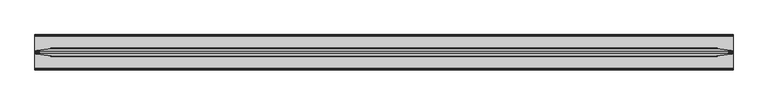
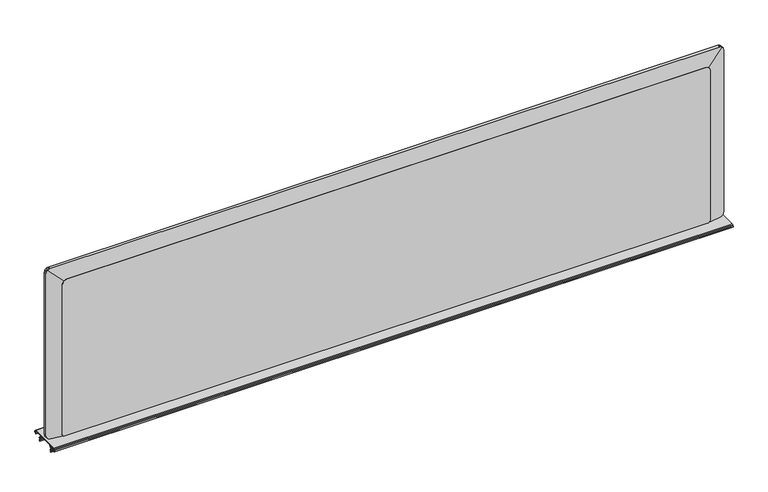
"""IFC4 building model written with IfcOpenShell, lengths in millimetres: furniture geometry."""

import ifcopenshell
import ifcopenshell.guid

model = None  # the IFC model being written
_history = None  # IfcOwnerHistory: only IFC2X3 demands one
_inside = {}  # id of a spatial element -> (the spatial element, [elements in it])
_under = {}  # id of a project, library or spatial element -> (it, [spatial elements below it])
_declared = {}  # id of a project -> (the project, [libraries it declares])
_typed = {}  # id of a type object -> (the type object, [elements of that type])
_made_of = {}  # id of a material, layer set ... -> (it, [elements and type objects made of it])


def new_model(schema):
    """Start an empty IFC model of exactly this schema.

    Asked for "IFC4X3", IfcOpenShell would pick the latest addendum, in which some entities
    have other attributes; the version numbers below select the first issue.
    IFC2X3 requires an IfcOwnerHistory on every rooted entity: one is made here for all.
    """
    global model, _history
    if schema == "IFC4X3":
        model = ifcopenshell.file(schema_version=(4, 3, 0, 0))
    else:
        model = ifcopenshell.file(schema=schema)
    _inside.clear()
    _under.clear()
    _declared.clear()
    _typed.clear()
    _made_of.clear()
    _history = None
    if model.schema == "IFC2X3":
        org = make("IfcOrganization", Name="unknown")
        user = make(
            "IfcPersonAndOrganization",
            ThePerson=make("IfcPerson", FamilyName="unknown"),
            TheOrganization=org,
        )
        app = make(
            "IfcApplication",
            ApplicationDeveloper=org,
            Version="unknown",
            ApplicationFullName="unknown",
            ApplicationIdentifier="unknown",
        )
        _history = make(
            "IfcOwnerHistory",
            OwningUser=user,
            OwningApplication=app,
            ChangeAction="ADDED",
            CreationDate=0,
        )
    return model


def make(cls, **values):
    """One entity of the class cls with the attributes given. An attribute that is None is left unset."""
    return model.create_entity(
        cls, **{name: value for name, value in values.items() if value is not None}
    )


def rooted(cls, **values):
    """An entity with a GlobalId (a new one), such as an element, a storey or a relation."""
    return make(cls, GlobalId=ifcopenshell.guid.new(), OwnerHistory=_history, **values)


def si_unit(unit_type, name, prefix=None):
    """IfcSIUnit, for example si_unit("LENGTHUNIT", "METRE", prefix="MILLI")."""
    return make("IfcSIUnit", UnitType=unit_type, Prefix=prefix, Name=name)


def assignment(units):
    """IfcUnitAssignment: the units of a project."""
    return None if units is None else make("IfcUnitAssignment", Units=units)


def point(xyz):
    """IfcCartesianPoint."""
    return None if xyz is None else make("IfcCartesianPoint", Coordinates=xyz)


def direction(xyz):
    """IfcDirection."""
    return None if xyz is None else make("IfcDirection", DirectionRatios=xyz)


def frame(location, z_axis=None, x_axis=None):
    """IfcAxis2Placement3D, a coordinate frame: its origin and axes. An axis left out is left unset."""
    return make(
        "IfcAxis2Placement3D",
        Location=point(location),
        Axis=direction(z_axis),
        RefDirection=direction(x_axis),
    )


def frame_2d(location, x_axis=None):
    """IfcAxis2Placement2D, a coordinate frame in the plane: its origin and x axis."""
    return make(
        "IfcAxis2Placement2D", Location=point(location), RefDirection=direction(x_axis)
    )


def origin():
    """The frame at (0, 0, 0) with its axes left unset."""
    return frame((0.0, 0.0, 0.0))


def place(relative_to, where):
    """IfcLocalPlacement: puts the frame where relative to a parent placement (None: the world)."""
    return make(
        "IfcLocalPlacement", PlacementRelTo=relative_to, RelativePlacement=where
    )


def context(
    kind, dimensions, precision=None, world=None, true_north=None, identifier=None
):
    """IfcGeometricRepresentationContext, for example the 3D "Model" context."""
    return make(
        "IfcGeometricRepresentationContext",
        ContextIdentifier=identifier,
        ContextType=kind,
        CoordinateSpaceDimension=dimensions,
        Precision=precision,
        WorldCoordinateSystem=world,
        TrueNorth=true_north,
    )


def project(units=None, contexts=None):
    """IfcProject with its units and contexts."""
    return rooted(
        "IfcProject",
        Name="project",
        RepresentationContexts=contexts,
        UnitsInContext=assignment(units),
    )


def spatial(cls, under=None, at=None, **own):
    """A site, building, storey or space (cls), placed at a placement, below another one or the project."""
    s = rooted(cls, ObjectPlacement=at, **own)
    if under is not None:
        _under.setdefault(under.id(), (under, []))[1].append(s)
    return s


def polyline(points):
    """IfcPolyline through the points."""
    return make("IfcPolyline", Points=[point(p) for p in points])


def circle_curve(where, radius):
    """IfcCircle in the frame where."""
    return make("IfcCircle", Position=where, Radius=radius)


def trimmed(basis, trim1, trim2, sense, master):
    """IfcTrimmedCurve: the piece of a basis curve between two trims."""
    return make(
        "IfcTrimmedCurve",
        BasisCurve=basis,
        Trim1=trim1,
        Trim2=trim2,
        SenseAgreement=sense,
        MasterRepresentation=master,
    )


def segment(curve, same_sense, transition):
    """IfcCompositeCurveSegment."""
    return make(
        "IfcCompositeCurveSegment",
        Transition=transition,
        SameSense=same_sense,
        ParentCurve=curve,
    )


def composite_curve(segments, self_intersect=None):
    """IfcCompositeCurve: segments joined end to end."""
    return make("IfcCompositeCurve", Segments=segments, SelfIntersect=self_intersect)


def outline(outer, holes=None, kind="AREA"):
    """IfcArbitraryClosedProfileDef: a profile drawn as a closed curve; with holes, ...WithVoids."""
    if holes is None:
        return make("IfcArbitraryClosedProfileDef", ProfileType=kind, OuterCurve=outer)
    return make(
        "IfcArbitraryProfileDefWithVoids",
        ProfileType=kind,
        OuterCurve=outer,
        InnerCurves=holes,
    )


def extrude(swept, where, along, depth):
    """IfcExtrudedAreaSolid: the profile swept, set in the frame where, extruded along a direction by depth."""
    return make(
        "IfcExtrudedAreaSolid",
        SweptArea=swept,
        Position=where,
        ExtrudedDirection=direction(along),
        Depth=depth,
    )


def faces_of(points, faces, orient=None, outer=None):
    """IfcFace entities. A face is a list of loops; a loop is a list of indices into points, from 0.

    orient and outer hold one flag for each loop. By default every Orientation is true, the
    first loop of a face is its IfcFaceOuterBound and the others are IfcFaceBound.
    """
    made = []
    for i, loops in enumerate(faces):
        bounds = []
        for j, loop in enumerate(loops):
            is_outer = j == 0 if outer is None else outer[i][j]
            bounds.append(
                make(
                    "IfcFaceOuterBound" if is_outer else "IfcFaceBound",
                    Bound=make("IfcPolyLoop", Polygon=[points[k] for k in loop]),
                    Orientation=True if orient is None else orient[i][j],
                )
            )
        made.append(make("IfcFace", Bounds=bounds))
    return made


def faceted_brep(points, faces, orient=None, outer=None, voids=None):
    """IfcFacetedBrep: a solid bounded by flat faces; with voids (closed shells), ...WithVoids."""
    shared = [point(p) for p in points]
    hull = make("IfcClosedShell", CfsFaces=faces_of(shared, faces, orient, outer))
    if voids is None:
        return make("IfcFacetedBrep", Outer=hull)
    return make(
        "IfcFacetedBrepWithVoids",
        Outer=hull,
        Voids=[
            make(cls, CfsFaces=faces_of(shared, fs, o, b)) for cls, fs, o, b in voids
        ],
    )


def shape(context_of_items, identifier, shape_type, items):
    """IfcShapeRepresentation: the items that make up one representation, for example the "Body"."""
    return make(
        "IfcShapeRepresentation",
        ContextOfItems=context_of_items,
        RepresentationIdentifier=identifier,
        RepresentationType=shape_type,
        Items=items,
    )


def source(mapping_origin, context_of_items, identifier, shape_type, items):
    """IfcRepresentationMap: a shape defined once, which mapped items show again and again."""
    return make(
        "IfcRepresentationMap",
        MappingOrigin=mapping_origin,
        MappedRepresentation=shape(context_of_items, identifier, shape_type, items),
    )


def transform(
    local_origin,
    x_axis=None,
    y_axis=None,
    z_axis=None,
    scale=None,
    scale2=None,
    scale3=None,
    uniform=True,
):
    """IfcCartesianTransformationOperator3D, or its non-uniform kind. x_axis, y_axis, z_axis: its Axis1, 2, 3."""
    if uniform:
        return make(
            "IfcCartesianTransformationOperator3D",
            Axis1=direction(x_axis),
            Axis2=direction(y_axis),
            LocalOrigin=point(local_origin),
            Scale=scale,
            Axis3=direction(z_axis),
        )
    return make(
        "IfcCartesianTransformationOperator3DnonUniform",
        Axis1=direction(x_axis),
        Axis2=direction(y_axis),
        LocalOrigin=point(local_origin),
        Scale=scale,
        Axis3=direction(z_axis),
        Scale2=scale2,
        Scale3=scale3,
    )


def mapped(mapping_source, mapping_target):
    """IfcMappedItem: shows the shape of a source again, moved by a transform."""
    return make(
        "IfcMappedItem", MappingSource=mapping_source, MappingTarget=mapping_target
    )


def made_of(thing, what):
    """Note that an element or type object is made of a material, layer set ...; save() writes the relation."""
    if what is not None:
        _made_of.setdefault(what.id(), (what, []))[1].append(thing)
    return thing


def element(
    cls,
    number,
    at=None,
    inside=None,
    cuts=None,
    type_object=None,
    material=None,
    context=None,
    identifier="Body",
    shape_type=None,
    held_by="IfcProductDefinitionShape",
    body=None,
    shapes=None,
    **own,
):
    """One element of the class cls, such as IfcWall. Its Tag is "e" and its number.

    at: its placement. inside: the storey or other place that contains it. cuts: it is an
    opening in that element (IfcRelVoidsElement). A single representation is given by context,
    identifier, shape_type and body (its items); several are given by shapes. held_by: the class
    of the entity that holds the representations. save() writes the other relations.
    """
    e = rooted(cls, Tag="e%d" % number, ObjectPlacement=at, **own)
    if body is not None:
        shapes = [shape(context, identifier, shape_type, body)]
    if shapes is not None:
        e.Representation = make(held_by, Representations=shapes)
    if inside is not None:
        _inside.setdefault(inside.id(), (inside, []))[1].append(e)
    if cuts is not None:
        rooted(
            "IfcRelVoidsElement", RelatingBuildingElement=cuts, RelatedOpeningElement=e
        )
    if type_object is not None:
        _typed.setdefault(type_object.id(), (type_object, []))[1].append(e)
    return made_of(e, material)


def aggregate(whole, parts):
    """IfcRelAggregates: a whole, such as a stair, and the parts it consists of."""
    return rooted("IfcRelAggregates", RelatingObject=whole, RelatedObjects=parts)


def save(model, path):
    """Write the relations noted so far, then the file.

    IfcRelAggregates (storeys below a building ...), IfcRelContainedInSpatialStructure (elements
    in a storey), IfcRelDefinesByType, IfcRelAssociatesMaterial and IfcRelDeclares: one each for
    every whole, place, type object, material and project.
    """
    for whole, parts in _under.values():
        aggregate(whole, parts)
    for where, things in _inside.values():
        rooted(
            "IfcRelContainedInSpatialStructure",
            RelatedElements=things,
            RelatingStructure=where,
        )
    for kind, things in _typed.values():
        rooted("IfcRelDefinesByType", RelatedObjects=things, RelatingType=kind)
    for what, things in _made_of.values():
        rooted("IfcRelAssociatesMaterial", RelatedObjects=things, RelatingMaterial=what)
    for by, libraries in _declared.values():
        rooted("IfcRelDeclares", RelatingContext=by, RelatedDefinitions=libraries)
    model.write(path)


def furniture_444924c2(model_context):
    return source(origin(), model_context, "Body", "SolidModel", [
        extrude(outline(composite_curve([segment(trimmed(circle_curve(frame_2d((-75.1928863, 719.4457415)), 2.430138), [point((-76.6170666, 717.4766602))], [point((-77.2846954, 720.682635))], False, "CARTESIAN"), True, "CONTINUOUS"), segment(polyline([(-77.2846954, 720.682635), (-76.0762752, 722.7262905)]), True, "CONTINUOUS"), segment(trimmed(circle_curve(frame_2d((-74.0187119, 721.5096466)), 2.3903534), [point((-76.0762752, 722.7262905))], [point((-74.0187119, 723.9))], False, "CARTESIAN"), True, "CONTINUOUS"), segment(polyline([(-74.0187119, 723.9), (-4.2648863, 723.9)]), True, "CONTINUOUS"), segment(trimmed(circle_curve(frame_2d((-4.2648863, 721.5096466)), 2.3903534), [point((-4.2648863, 723.9))], [point((-2.207323, 722.7262905))], False, "CARTESIAN"), True, "CONTINUOUS"), segment(polyline([(-2.207323, 722.7262905), (-0.9989028, 720.682635)]), True, "CONTINUOUS"), segment(trimmed(circle_curve(frame_2d((-3.0907119, 719.4457415)), 2.430138), [point((-0.9989028, 720.682635))], [point((-1.6665316, 717.4766602))], False, "CARTESIAN"), True, "CONTINUOUS"), segment(polyline([(-1.6665316, 717.4766602), (-4.4860224, 715.4374031), (-4.9474775, 716.075414), (-2.1279867, 718.1146711)]), True, "CONTINUOUS"), segment(trimmed(circle_curve(frame_2d((-3.0907119, 719.4457415)), 1.642738), [point((-2.1279867, 718.1146711))], [point((-1.6766793, 720.2818636))], True, "CARTESIAN"), True, "CONTINUOUS"), segment(polyline([(-1.6766793, 720.2818636), (-2.8850995, 722.3255191)]), True, "CONTINUOUS"), segment(trimmed(circle_curve(frame_2d((-4.2648863, 721.5096466)), 1.6029534), [point((-2.8850995, 722.3255191))], [point((-4.2648863, 723.1126))], True, "CARTESIAN"), True, "CONTINUOUS"), segment(polyline([(-4.2648863, 723.1126), (-74.0187119, 723.1126)]), True, "CONTINUOUS"), segment(trimmed(circle_curve(frame_2d((-74.0187119, 721.5096466)), 1.6029534), [point((-74.0187119, 723.1126))], [point((-75.3984987, 722.3255191))], True, "CARTESIAN"), True, "CONTINUOUS"), segment(polyline([(-75.3984987, 722.3255191), (-76.6069189, 720.2818636)]), True, "CONTINUOUS"), segment(trimmed(circle_curve(frame_2d((-75.1928863, 719.4457415)), 1.642738), [point((-76.6069189, 720.2818636))], [point((-76.1556115, 718.1146711))], True, "CARTESIAN"), True, "CONTINUOUS"), segment(polyline([(-76.1556115, 718.1146711), (-73.3361207, 716.075414), (-73.7975758, 715.4374031), (-76.6170666, 717.4766602)]), True, "CONTINUOUS")], self_intersect=False)), frame((0.9128077, 0.0, 0.0), z_axis=(1.0, 0.0, 0.0), x_axis=(0.0, 1.0, 0.0)), (0.0, 0.0, 1.0), 1522.1743847),
        extrude(outline(composite_curve([segment(polyline([(-56.0461627, 723.1126), (-55.1072956, 723.1126), (-60.3912441, 714.9760387)]), True, "CONTINUOUS"), segment(trimmed(circle_curve(frame_2d((-59.5056044, 714.4008971)), 1.0560045), [point((-60.3912441, 714.9760387))], [point((-60.3859585, 713.8176971))], True, "CARTESIAN"), True, "CONTINUOUS"), segment(polyline([(-60.3859585, 713.8176971), (-59.3045938, 712.1853517)]), True, "CONTINUOUS"), segment(trimmed(circle_curve(frame_2d((-60.7484403, 711.2288601)), 1.7319264), [point((-59.3045938, 712.1853517))], [point((-59.5749626, 709.9550787))], False, "CARTESIAN"), True, "CONTINUOUS"), segment(polyline([(-59.5749626, 709.9550787), (-60.3183145, 709.2702619)]), True, "CONTINUOUS"), segment(trimmed(circle_curve(frame_2d((-59.7283038, 708.6298197)), 0.8707921), [point((-60.3183145, 709.2702619))], [point((-60.5065655, 708.239195))], True, "CARTESIAN"), True, "CONTINUOUS"), segment(polyline([(-60.5065655, 708.239195), (-59.6251222, 706.4830501), (-60.328853, 706.1298339), (-61.2102963, 707.8859788)]), True, "CONTINUOUS"), segment(trimmed(circle_curve(frame_2d((-59.7283038, 708.6298197)), 1.6581921), [point((-61.2102963, 707.8859788))], [point((-60.8518224, 709.8493717))], False, "CARTESIAN"), True, "CONTINUOUS"), segment(polyline([(-60.8518224, 709.8493717), (-60.1084705, 710.5341884)]), True, "CONTINUOUS"), segment(trimmed(circle_curve(frame_2d((-60.7484403, 711.2288601)), 0.9445264), [point((-60.1084705, 710.5341884))], [point((-59.9610216, 711.750494))], True, "CARTESIAN"), True, "CONTINUOUS"), segment(polyline([(-59.9610216, 711.750494), (-61.0423863, 713.3828394)]), True, "CONTINUOUS"), segment(trimmed(circle_curve(frame_2d((-59.5056044, 714.4008971)), 1.8434045), [point((-61.0423863, 713.3828394))], [point((-61.0516132, 715.4048877))], False, "CARTESIAN"), True, "CONTINUOUS"), segment(polyline([(-61.0516132, 715.4048877), (-56.0461627, 723.1126)]), True, "CONTINUOUS")], self_intersect=False)), frame((1.6764, 0.0, 0.0), z_axis=(1.0, 0.0, 0.0), x_axis=(0.0, 1.0, 0.0)), (0.0, 0.0, 1.0), 1520.6472),
        extrude(outline(composite_curve([segment(polyline([(-22.2374355, 723.1126), (-17.231985, 715.4048877)]), True, "CONTINUOUS"), segment(trimmed(circle_curve(frame_2d((-18.7779938, 714.4008971)), 1.8434045), [point((-17.231985, 715.4048877))], [point((-17.2412119, 713.3828394))], False, "CARTESIAN"), True, "CONTINUOUS"), segment(polyline([(-17.2412119, 713.3828394), (-18.3225766, 711.750494)]), True, "CONTINUOUS"), segment(trimmed(circle_curve(frame_2d((-17.5351579, 711.2288601)), 0.9445264), [point((-18.3225766, 711.750494))], [point((-18.1751277, 710.5341884))], True, "CARTESIAN"), True, "CONTINUOUS"), segment(polyline([(-18.1751277, 710.5341884), (-17.4317758, 709.8493717)]), True, "CONTINUOUS"), segment(trimmed(circle_curve(frame_2d((-18.5552944, 708.6298197)), 1.6581921), [point((-17.4317758, 709.8493717))], [point((-17.0733019, 707.8859788))], False, "CARTESIAN"), True, "CONTINUOUS"), segment(polyline([(-17.0733019, 707.8859788), (-17.9547452, 706.1298339), (-18.658476, 706.4830501), (-17.7770327, 708.239195)]), True, "CONTINUOUS"), segment(trimmed(circle_curve(frame_2d((-18.5552944, 708.6298197)), 0.8707921), [point((-17.7770327, 708.239195))], [point((-17.9652837, 709.2702619))], True, "CARTESIAN"), True, "CONTINUOUS"), segment(polyline([(-17.9652837, 709.2702619), (-18.7086356, 709.9550787)]), True, "CONTINUOUS"), segment(trimmed(circle_curve(frame_2d((-17.5351579, 711.2288601)), 1.7319264), [point((-18.7086356, 709.9550787))], [point((-18.9790044, 712.1853517))], False, "CARTESIAN"), True, "CONTINUOUS"), segment(polyline([(-18.9790044, 712.1853517), (-17.8976397, 713.8176971)]), True, "CONTINUOUS"), segment(trimmed(circle_curve(frame_2d((-18.7779938, 714.4008971)), 1.0560045), [point((-17.8976397, 713.8176971))], [point((-17.8923541, 714.9760387))], True, "CARTESIAN"), True, "CONTINUOUS"), segment(polyline([(-17.8923541, 714.9760387), (-23.1763025, 723.1126), (-22.2374355, 723.1126)]), True, "CONTINUOUS")], self_intersect=False)), frame((1.6764, 0.0, 0.0), z_axis=(1.0, 0.0, 0.0), x_axis=(0.0, 1.0, 0.0)), (0.0, 0.0, 1.0), 1520.6472),
        faceted_brep([(1485.9706046, -31.0258914, 723.9), (1485.9706046, -31.0258914, 1091.7378273), (1519.410999, -35.7256324, 1125.1782217), (1520.8505813, -35.9279525, 1123.3244416), (1521.8654782, -36.0705869, 1120.9987115), (1522.329602, -36.1358153, 1118.3847867), (1522.329602, -36.1358153, 733.6122143), (1521.8654782, -36.0705869, 730.9982895), (1520.8505813, -35.9279525, 728.6725594), (1519.3657155, -35.7192682, 726.7604668), (1517.77837, -35.4961813, 725.479295), (1515.3892336, -35.1604101, 724.39128), (1512.7816683, -34.7939407, 723.9), (1485.9706046, -47.5358914, 1091.7378273), (1485.9706046, -47.5358914, 723.9), (1512.7816683, -43.5773568, 723.9), (1515.3892336, -43.1923614, 724.39128), (1517.77837, -42.839616, 725.479295), (1519.3657155, -42.6052515, 726.7604668), (1520.8505813, -42.3860176, 728.6725594), (1521.8654782, -42.2361726, 730.9982895), (1522.329602, -42.1676468, 733.6122143), (1522.329602, -42.1676468, 1118.3847867), (1521.8654782, -42.2361726, 1120.9987115), (1520.8505813, -42.3860176, 1123.3244416), (1519.410999, -42.5985656, 1125.1782217), (38.0293954, -31.0258914, 1091.7378273), (38.0293954, -31.0258914, 723.9193375), (11.2802637, -34.7852367, 723.9193375), (8.6107664, -35.1604101, 724.4222859), (6.22163, -35.4961813, 725.5103009), (4.6342845, -35.7192682, 726.7914727), (3.1494187, -35.9279525, 728.7035652), (2.1345218, -36.0705869, 731.0292954), (1.670398, -36.1358153, 733.6432202), (1.670398, -36.1358153, 1118.3847867), (2.1345218, -36.0705869, 1120.9987115), (3.1494187, -35.9279525, 1123.3244416), (4.589001, -35.7256324, 1125.1782217), (38.0293954, -47.5358914, 723.9193375), (38.0293954, -47.5358914, 1091.7378273), (4.589001, -42.5985656, 1125.1782217), (3.1494187, -42.3860176, 1123.3244416), (2.1345218, -42.2361726, 1120.9987115), (1.670398, -42.1676468, 1118.3847867), (1.670398, -42.1676468, 733.6432202), (2.1345218, -42.2361726, 731.0292954), (3.1494187, -42.3860176, 728.7035652), (4.6342845, -42.6052515, 726.7914727), (6.22163, -42.839616, 725.5103009), (8.6107664, -43.1923614, 724.4222859), (11.2802637, -43.5865008, 723.9193375), (6.22163, -35.9138846, 1126.517706), (8.6107664, -36.0667951, 1127.605721), (11.2173961, -36.1358153, 1128.0968247), (1512.7826039, -36.1358153, 1128.0968247), (1515.3892336, -36.0667951, 1127.605721), (1517.77837, -35.9138846, 1126.517706), (1517.77837, -42.4007967, 1126.517706), (1515.3892336, -42.2401561, 1127.605721), (1512.7826039, -42.1676468, 1128.0968247), (11.2173961, -42.1676468, 1128.0968247), (8.6107664, -42.2401561, 1127.605721), (6.22163, -42.4007967, 1126.517706)], [[[0, 1, 2, 3, 4, 5, 6, 7, 8, 9, 10, 11, 12]], [[13, 14, 15, 16, 17, 18, 19, 20, 21, 22, 23, 24, 25]], [[26, 27, 28, 29, 30, 31, 32, 33, 34, 35, 36, 37, 38]], [[39, 40, 41, 42, 43, 44, 45, 46, 47, 48, 49, 50, 51]], [[1, 26, 38, 52, 53, 54, 55, 56, 57, 2]], [[40, 13, 25, 58, 59, 60, 61, 62, 63, 41]], [[1, 0, 14, 13]], [[39, 27, 26, 40]], [[26, 1, 13, 40]], [[33, 46, 45, 34]], [[46, 33, 32, 47]], [[47, 32, 31, 48]], [[48, 31, 30, 49]], [[49, 30, 29, 50]], [[50, 29, 28, 51]], [[27, 39, 51, 28]], [[14, 0, 12, 15]], [[34, 45, 44, 35]], [[54, 61, 60, 55]], [[21, 6, 5, 22]], [[20, 7, 6, 21]], [[7, 20, 19, 8]], [[8, 19, 18, 9]], [[9, 18, 17, 10]], [[10, 17, 16, 11]], [[11, 16, 15, 12]], [[43, 36, 35, 44]], [[36, 43, 42, 37]], [[41, 38, 37, 42]], [[38, 41, 63, 52]], [[52, 63, 62, 53]], [[53, 62, 61, 54]], [[4, 23, 22, 5]], [[23, 4, 3, 24]], [[2, 25, 24, 3]], [[25, 2, 57, 58]], [[58, 57, 56, 59]], [[59, 56, 55, 60]]]),
        extrude(outline(composite_curve([segment(polyline([(1094.4625743, 1478.5013514), (1094.4625743, 45.4986486), (1093.7765293, 41.8573286), (1092.6884416, 39.4681922), (1091.4072698, 37.8808467), (1089.4951772, 36.3959812), (1087.1695198, 35.3810842), (1084.5123236, 34.9949365), (728.6754514, 34.9949365)]), True, "CONTINUOUS"), segment(trimmed(circle_curve(frame_2d((728.6754514, 39.7510504)), 4.7561139), [point((728.6754514, 34.9949365))], [point((723.9193375, 39.7510504))], False, "CARTESIAN"), True, "CONTINUOUS"), segment(polyline([(723.9193375, 39.7510504), (723.9193375, 1481.21858)]), True, "CONTINUOUS"), segment(trimmed(circle_curve(frame_2d((731.705821, 1481.21858)), 7.7864835), [point((723.9193375, 1481.21858))], [point((731.705821, 1489.0050635))], False, "CARTESIAN"), True, "CONTINUOUS"), segment(polyline([(731.705821, 1489.0050635), (1084.5123236, 1489.0050635), (1087.1695198, 1488.6189158), (1089.4951772, 1487.6040188), (1091.4072698, 1486.1191533), (1092.6884416, 1484.5318078), (1093.7765293, 1482.1426714), (1094.4625743, 1478.5013514)]), True, "CONTINUOUS")], self_intersect=False)), frame((0.0, -48.8058914, 0.0), z_axis=(0.0, 1.0, 0.0), x_axis=(0.0, 0.0, 1.0)), (0.0, 0.0, 1.0), 19.05),
    ])


if __name__ == "__main__":
    model = new_model("IFC4")
    model_context = context("Model", 3, world=origin())
    ifc_project = project(units=[si_unit("LENGTHUNIT", "METRE", prefix="MILLI")], contexts=[model_context])
    site = spatial("IfcSite", under=ifc_project)
    building = spatial("IfcBuilding", under=site)
    placement = place(None, origin())
    furniture_shape = furniture_444924c2(model_context)
    element("IfcFurniture", 1, at=placement, inside=building, context=model_context, shape_type="MappedRepresentation", body=[
        mapped(furniture_shape, transform((0.0, 0.0, 0.0), x_axis=(1.0, 0.0, 0.0), y_axis=(0.0, 1.0, 0.0), z_axis=(0.0, 0.0, 1.0))),
    ])
    save(model, "model.ifc")
